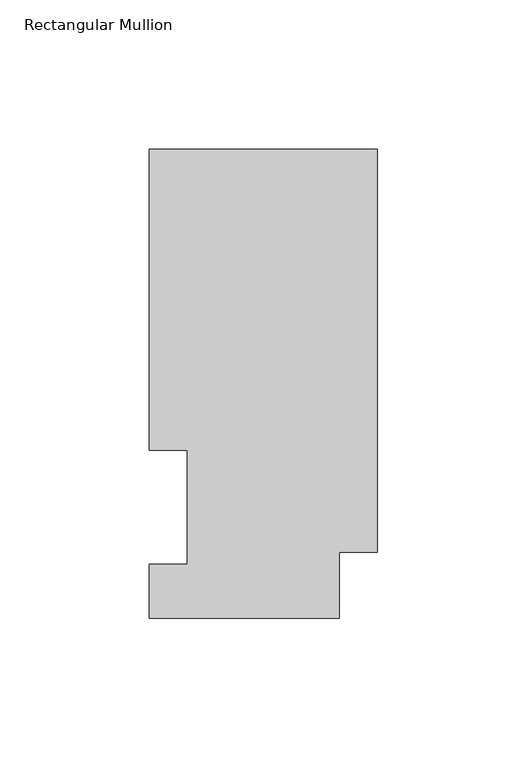
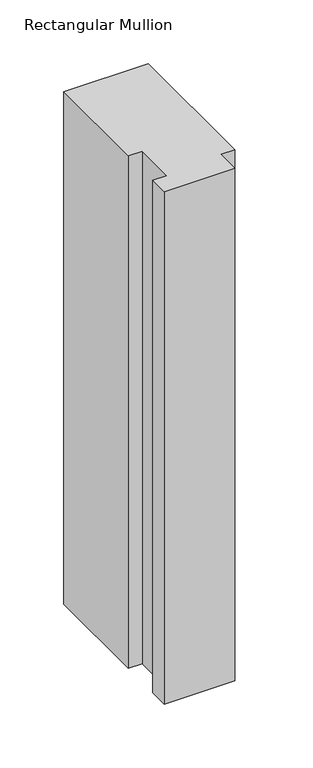
"""IFC4 building model written with IfcOpenShell, lengths in millimetres: member geometry, Rectangular Mullion."""

from ifc_helpers import new_model, si_unit, frame, origin, place, context, project, spatial, polyline, outline, extrude, source, transform, mapped, element, save


def rectangular_mullion_41d1bbfc(model_context):
    return source(origin(), model_context, "Body", "SweptSolid", [
        extrude(outline(polyline([(0.0, 157.3397822), (0.0, 22.6195299), (-12.7, 22.6195299), (-12.7, 0.5199062), (-76.2, 0.5199062), (-76.2, 18.5539062), (-63.5762, 18.5539062), (-63.5762, 56.6539063), (-76.2, 56.6539062), (-76.2, 157.3397822), (0.0, 157.3397822)])), frame((0.0, 0.0, -488.95), z_axis=(0.0, 0.0, 1.0), x_axis=(1.0, 0.0, 0.0)), (0.0, 0.0, 1.0), 488.95),
    ])


if __name__ == "__main__":
    model = new_model("IFC4")
    model_context = context("Model", 3, world=origin())
    ifc_project = project(units=[si_unit("LENGTHUNIT", "METRE", prefix="MILLI")], contexts=[model_context])
    site = spatial("IfcSite", under=ifc_project)
    building = spatial("IfcBuilding", under=site)
    placement = place(None, origin())
    rectangular_mullion_shape = rectangular_mullion_41d1bbfc(model_context)
    element("IfcMember", 1, ObjectType="Rectangular Mullion", at=placement, inside=building, context=model_context, shape_type="MappedRepresentation", body=[
        mapped(rectangular_mullion_shape, transform((0.0, 0.0, 0.0), x_axis=(1.0, 0.0, 0.0), y_axis=(0.0, 1.0, 0.0), z_axis=(0.0, 0.0, 1.0))),
    ])
    save(model, "model.ifc")
